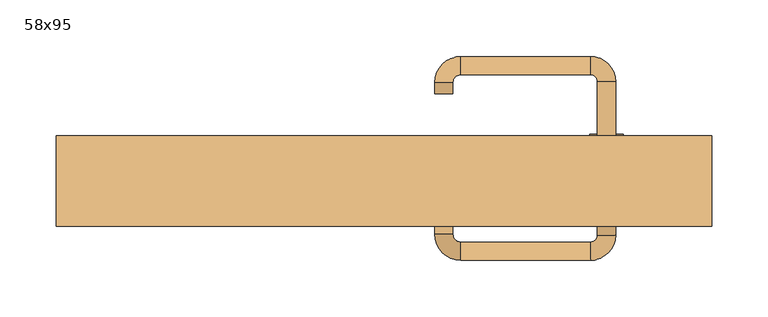
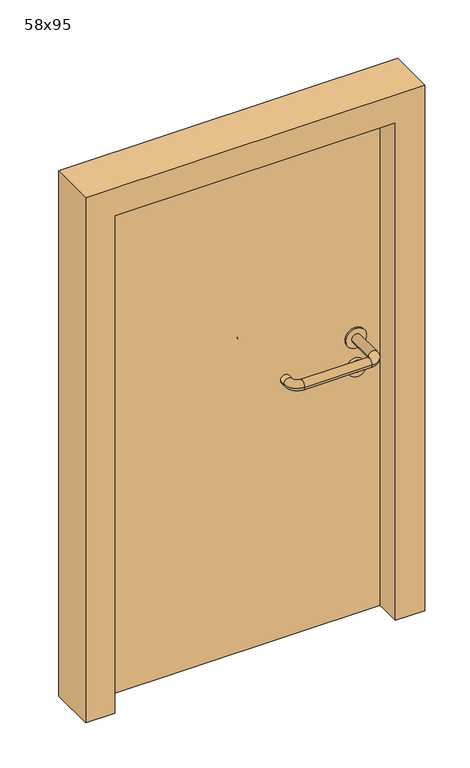
"""IFC4 building model written with IfcOpenShell, lengths in millimetres: door geometry, 58x95."""

from ifc_helpers import new_model, si_unit, point, frame, frame_2d, origin, origin_with_axes, place, context, project, spatial, polyline, circle_curve, ellipse_curve, trimmed, segment, composite_curve, outline, extrude, source, transform, mapped, element, save
from ifc_brep_helpers import plane_surface, cylinder_surface, revolved_surface, advanced_brep


def door_58x95_ae09632f(model_context):
    return source(origin(), model_context, "Body", "SolidModel", [
        extrude(outline(composite_curve([segment(trimmed(circle_curve(frame_2d((447.3605726, 197.0)), 15.0), [point((447.3605726, 212.0))], [point((447.3605726, 182.0))], False, "CARTESIAN"), True, "CONTINUOUS"), segment(trimmed(circle_curve(frame_2d((447.3605726, 197.0)), 15.0), [point((447.3605726, 182.0))], [point((447.3605726, 212.0))], False, "CARTESIAN"), True, "CONTINUOUS")], self_intersect=False), holes=[composite_curve([segment(trimmed(circle_curve(frame_2d((442.5833211, 196.9398032)), 2.0), [point((442.5833211, 198.9398032))], [point((442.5833211, 194.9398032))], True, "CARTESIAN"), True, "CONTINUOUS"), segment(polyline([(442.5833211, 194.9398032), (452.5833211, 194.9398032)]), True, "CONTINUOUS"), segment(trimmed(circle_curve(frame_2d((452.5833211, 196.9398032)), 2.0), [point((452.5833211, 194.9398032))], [point((452.5833211, 198.9398032))], True, "CARTESIAN"), True, "CONTINUOUS"), segment(polyline([(452.5833211, 198.9398032), (442.5833211, 198.9398032)]), True, "CONTINUOUS")], self_intersect=False)]), frame((0.0, 58.65, 0.0), z_axis=(0.0, 1.0, 0.0), x_axis=(0.0, 0.0, 1.0)), (0.0, 0.0, 1.0), 6.35),
        extrude(outline(composite_curve([segment(trimmed(circle_curve(frame_2d((500.0, 197.0)), 17.526), [point((500.0, 214.526))], [point((500.0, 179.474))], False, "CARTESIAN"), True, "CONTINUOUS"), segment(trimmed(circle_curve(frame_2d((500.0, 197.0)), 17.526), [point((500.0, 179.474))], [point((500.0, 214.526))], False, "CARTESIAN"), True, "CONTINUOUS")], self_intersect=False)), frame((0.0, 61.825, 0.0), z_axis=(0.0, 1.0, 0.0), x_axis=(0.0, 0.0, 1.0)), (0.0, 0.0, 1.0), 3.175),
        advanced_brep(
        [(205.0, 65.0, 500.0), (189.0, 65.0, 500.0), (189.0, 12.0, 500.0), (205.0, 12.0, 500.0), (182.8578644, 5.8578644, 500.0), (182.8578644, -10.1421356, 500.0), (67.8578644, 5.8578644, 500.0), (67.8578644, -10.1421356, 500.0), (61.008622, 12.7071068, 500.0), (45.008622, 12.7071068, 500.0), (45.008622, 22.7071068, 500.0), (61.008622, 22.7071068, 500.0)],
        [
            (0, 1, circle_curve(frame((197.0, 65.0, 500.0), z_axis=(0.0, 1.0, 0.0), x_axis=(-1.0, 0.0, 0.0)), 8.0)),
            (1, 0, circle_curve(frame((197.0, 65.0, 500.0), z_axis=(0.0, 1.0, 0.0), x_axis=(-1.0, 0.0, 0.0)), 8.0)),
            (1, 2),
            (2, 3, circle_curve(frame((197.0, 12.0, 500.0), z_axis=(0.0, 1.0, 0.0), x_axis=(-1.0, 0.0, 0.0)), 8.0)),
            (3, 0),
            (3, 2, circle_curve(frame((197.0, 12.0, 500.0), z_axis=(0.0, 1.0, 0.0), x_axis=(-1.0, 0.0, 0.0)), 8.0)),
            (4, 5, circle_curve(frame((182.8578644, -2.1421356, 500.0), z_axis=(1.0, 0.0, 0.0), x_axis=(0.0, 1.0, 0.0)), 8.0)),
            (5, 3, circle_curve(frame((182.8578644, 12.0, 500.0), z_axis=(0.0, 0.0, 1.0), x_axis=(1.0, 0.0, 0.0)), 22.1421356)),
            (2, 4, circle_curve(frame((182.8578644, 12.0, 500.0), z_axis=(0.0, 0.0, -1.0), x_axis=(1.0, 0.0, 0.0)), 6.1421356)),
            (5, 4, circle_curve(frame((182.8578644, -2.1421356, 500.0), z_axis=(1.0, 0.0, 0.0), x_axis=(0.0, 1.0, 0.0)), 8.0)),
            (4, 6),
            (6, 7, circle_curve(frame((67.8578644, -2.1421356, 500.0), z_axis=(1.0, 0.0, 0.0), x_axis=(0.0, 1.0, 0.0)), 8.0)),
            (7, 5),
            (7, 6, circle_curve(frame((67.8578644, -2.1421356, 500.0), z_axis=(1.0, 0.0, 0.0), x_axis=(0.0, 1.0, 0.0)), 8.0)),
            (8, 9, circle_curve(frame((53.008622, 12.7071068, 500.0), z_axis=(0.0, -1.0, 0.0), x_axis=(1.0, 0.0, 0.0)), 8.0)),
            (9, 7, circle_curve(frame((67.8578644, 12.7071068, 500.0), z_axis=(0.0, 0.0, 1.0), x_axis=(0.0, -1.0, 0.0)), 22.8492424)),
            (6, 8, circle_curve(frame((67.8578644, 12.7071068, 500.0), z_axis=(0.0, 0.0, -1.0), x_axis=(0.0, -1.0, 0.0)), 6.8492424)),
            (9, 8, circle_curve(frame((53.008622, 12.7071068, 500.0), z_axis=(0.0, -1.0, 0.0), x_axis=(1.0, 0.0, 0.0)), 8.0)),
            (10, 11, circle_curve(frame((53.008622, 22.7071068, 500.0), z_axis=(0.0, 1.0, 0.0), x_axis=(1.0, 0.0, 0.0)), 8.0)),
            (11, 10, circle_curve(frame((53.008622, 22.7071068, 500.0), z_axis=(0.0, 1.0, 0.0), x_axis=(1.0, 0.0, 0.0)), 8.0)),
            (8, 11),
            (10, 9),
        ],
        [
            plane_surface(frame((197.0, 65.0, 0.0), z_axis=(0.0, 1.0, 0.0), x_axis=(0.0, 0.0, 1.0))),
            cylinder_surface(frame((197.0, 65.0, 500.0), z_axis=(0.0, 1.0, 0.0), x_axis=(-1.0, 0.0, 0.0)), 8.0),
            revolved_surface(trimmed(ellipse_curve(frame((197.0, 12.0, 500.0), z_axis=(0.0, -1.0, 0.0), x_axis=(-1.0, 0.0, 0.0)), 8.0, 8.0), [point((205.0, 12.0, 500.0))], [point((189.0, 12.0, 500.0))], True, "CARTESIAN"), (182.8578644, 12.0, 0.0), (0.0, 0.0, 1.0)),
            revolved_surface(trimmed(ellipse_curve(frame((197.0, 12.0, 500.0), z_axis=(0.0, -1.0, 0.0), x_axis=(-1.0, 0.0, 0.0)), 8.0, 8.0), [point((189.0, 12.0, 500.0))], [point((205.0, 12.0, 500.0))], True, "CARTESIAN"), (182.8578644, 12.0, 0.0), (0.0, 0.0, 1.0)),
            cylinder_surface(frame((182.8578644, -2.1421356, 500.0), z_axis=(1.0, 0.0, 0.0), x_axis=(0.0, 1.0, 0.0)), 8.0),
            revolved_surface(trimmed(ellipse_curve(frame((67.8578644, -2.1421356, 500.0), z_axis=(-1.0, 0.0, 0.0), x_axis=(0.0, 1.0, 0.0)), 8.0, 8.0), [point((67.8578644, -10.1421356, 500.0))], [point((67.8578644, 5.8578644, 500.0))], True, "CARTESIAN"), (67.8578644, 12.7071068, 0.0), (0.0, 0.0, 1.0)),
            revolved_surface(trimmed(ellipse_curve(frame((67.8578644, -2.1421356, 500.0), z_axis=(-1.0, 0.0, 0.0), x_axis=(0.0, 1.0, 0.0)), 8.0, 8.0), [point((67.8578644, 5.8578644, 500.0))], [point((67.8578644, -10.1421356, 500.0))], True, "CARTESIAN"), (67.8578644, 12.7071068, 0.0), (0.0, 0.0, 1.0)),
            plane_surface(frame((53.008622, 22.7071068, 0.0), z_axis=(0.0, 1.0, 0.0), x_axis=(0.0, 0.0, 1.0))),
            cylinder_surface(frame((53.008622, 12.7071068, 500.0), z_axis=(0.0, -1.0, 0.0), x_axis=(1.0, 0.0, 0.0)), 8.0),
        ],
        [
            (0, [[1, 2]]),
            (1, [[3, 4, 5, -2]]),
            (1, [[-5, 6, -3, -1]]),
            (2, [[7, 8, -4, 9]]),
            (3, [[10, -9, -6, -8]]),
            (4, [[11, 12, 13, -7]]),
            (4, [[-13, 14, -11, -10]]),
            (5, [[15, 16, -12, 17]]),
            (6, [[18, -17, -14, -16]]),
            (7, [[19, 20]]),
            (8, [[21, -19, 22, -15]]),
            (8, [[-22, -20, -21, -18]]),
        ],
    ),
        extrude(outline(composite_curve([segment(trimmed(circle_curve(frame_2d((0.0, -15.0)), 15.0), [point((0.0, -30.0))], [point((0.0, 0.0))], False, "CARTESIAN"), True, "CONTINUOUS"), segment(trimmed(circle_curve(frame_2d((0.0, -15.0)), 15.0), [point((0.0, 0.0))], [point((0.0, -30.0))], False, "CARTESIAN"), True, "CONTINUOUS")], self_intersect=False), holes=[composite_curve([segment(trimmed(circle_curve(frame_2d((4.7772515, -14.9398032)), 2.0), [point((4.7772515, -16.9398032))], [point((4.7772515, -12.9398032))], True, "CARTESIAN"), True, "CONTINUOUS"), segment(polyline([(4.7772515, -12.9398032), (-5.2227485, -12.9398032)]), True, "CONTINUOUS"), segment(trimmed(circle_curve(frame_2d((-5.2227485, -14.9398032)), 2.0), [point((-5.2227485, -12.9398032))], [point((-5.2227485, -16.9398032))], True, "CARTESIAN"), True, "CONTINUOUS"), segment(polyline([(-5.2227485, -16.9398032), (4.7772515, -16.9398032)]), True, "CONTINUOUS")], self_intersect=False)]), frame((182.0, 95.0, 447.3605726), z_axis=(1.8870575173328306e-12, 1.0, 0.0), x_axis=(0.0, 0.0, -1.0)), (0.0, 0.0, 1.0), 6.35),
        extrude(outline(composite_curve([segment(trimmed(circle_curve(frame_2d((0.0, -17.526)), 17.526), [point((0.0, -35.052))], [point((0.0, 0.0))], False, "CARTESIAN"), True, "CONTINUOUS"), segment(trimmed(circle_curve(frame_2d((0.0, -17.526)), 17.526), [point((0.0, 0.0))], [point((0.0, -35.052))], False, "CARTESIAN"), True, "CONTINUOUS")], self_intersect=False)), frame((179.474, 95.0, 500.0), z_axis=(1.8870575173328306e-12, 1.0, 0.0), x_axis=(0.0, 0.0, -1.0)), (0.0, 0.0, 1.0), 3.175),
        advanced_brep(
        [(205.0, 95.0, 500.0), (189.0, 95.0, 500.0), (205.0, 148.0, 500.0), (189.0, 148.0, 500.0), (182.8578644, 154.1421356, 500.0), (182.8578644, 170.1421356, 500.0), (67.8578644, 170.1421356, 500.0), (67.8578644, 154.1421356, 500.0), (61.008622, 147.2928932, 500.0), (45.008622, 147.2928932, 500.0), (45.008622, 137.2928932, 500.0), (61.008622, 137.2928932, 500.0)],
        [
            (0, 1, circle_curve(frame((197.0, 95.0, 500.0), z_axis=(-1.888672253512351e-12, -1.0, 0.0), x_axis=(-1.0, 1.888672253512351e-12, 0.0)), 8.0)),
            (1, 0, circle_curve(frame((197.0, 95.0, 500.0), z_axis=(-1.888672253512351e-12, -1.0, 0.0), x_axis=(-1.0, 1.888672253512351e-12, 0.0)), 8.0)),
            (0, 2),
            (2, 3, circle_curve(frame((197.0, 148.0, 500.0), z_axis=(-1.888672253512351e-12, -1.0, 0.0), x_axis=(-1.0, 1.888672253512351e-12, 0.0)), 8.0)),
            (3, 1),
            (3, 2, circle_curve(frame((197.0, 148.0, 500.0), z_axis=(-1.888672253512351e-12, -1.0, 0.0), x_axis=(-1.0, 1.888672253512351e-12, 0.0)), 8.0)),
            (4, 3, circle_curve(frame((182.8578644, 148.0, 500.0), z_axis=(0.0, 0.0, -1.0), x_axis=(1.0, -1.880717803715015e-12, 0.0)), 6.1421356)),
            (2, 5, circle_curve(frame((182.8578644, 148.0, 500.0), z_axis=(0.0, 0.0, 1.0), x_axis=(1.0, -1.880717803715015e-12, 0.0)), 22.1421356)),
            (5, 4, circle_curve(frame((182.8578644, 162.1421356, 500.0), z_axis=(1.0, -1.913702061528922e-12, 0.0), x_axis=(-1.913702061528922e-12, -1.0, 0.0)), 8.0)),
            (4, 5, circle_curve(frame((182.8578644, 162.1421356, 500.0), z_axis=(1.0, -1.913702061528922e-12, 0.0), x_axis=(-1.913702061528922e-12, -1.0, 0.0)), 8.0)),
            (5, 6),
            (6, 7, circle_curve(frame((67.8578644, 162.1421356, 500.0), z_axis=(1.0, -1.913719828541269e-12, 0.0), x_axis=(-1.913719828541269e-12, -1.0, 0.0)), 8.0)),
            (7, 4),
            (7, 6, circle_curve(frame((67.8578644, 162.1421356, 500.0), z_axis=(1.0, -1.913719828541269e-12, 0.0), x_axis=(-1.913719828541269e-12, -1.0, 0.0)), 8.0)),
            (8, 7, circle_curve(frame((67.8578644, 147.2928932, 500.0), z_axis=(0.0, 0.0, -1.0), x_axis=(1.9120873253494017e-12, 1.0, 0.0)), 6.8492424)),
            (6, 9, circle_curve(frame((67.8578644, 147.2928932, 500.0), z_axis=(0.0, 0.0, 1.0), x_axis=(1.9120873253494017e-12, 1.0, 0.0)), 22.8492424)),
            (9, 8, circle_curve(frame((53.008622, 147.2928932, 500.0), z_axis=(1.890448610351751e-12, 1.0, 0.0), x_axis=(1.0, -1.890448610351751e-12, 0.0)), 8.0)),
            (8, 9, circle_curve(frame((53.008622, 147.2928932, 500.0), z_axis=(1.8888942981172756e-12, 1.0, 0.0), x_axis=(1.0, -1.8888942981172756e-12, 0.0)), 8.0)),
            (10, 11, circle_curve(frame((53.008622, 137.2928932, 500.0), z_axis=(-1.8903642334018795e-12, -1.0, 0.0), x_axis=(1.0, -1.8903642334018795e-12, 0.0)), 8.0)),
            (11, 10, circle_curve(frame((53.008622, 137.2928932, 500.0), z_axis=(-1.8903642334018795e-12, -1.0, 0.0), x_axis=(1.0, -1.8903642334018795e-12, 0.0)), 8.0)),
            (9, 10),
            (11, 8),
        ],
        [
            plane_surface(frame((197.0, 95.0, 0.0), z_axis=(-1.8870575173328306e-12, -1.0, 0.0), x_axis=(0.0, 0.0, 1.0))),
            cylinder_surface(frame((197.0, 95.0, 500.0), z_axis=(-1.888672253512351e-12, -1.0, 0.0), x_axis=(-1.0, 1.888672253512351e-12, 0.0)), 8.0),
            revolved_surface(trimmed(ellipse_curve(frame((197.0, 148.0, 500.0), z_axis=(-1.8823325398945356e-12, -1.0, 0.0), x_axis=(-1.0, 1.8823325398945356e-12, 0.0)), 8.0, 8.0), [point((205.0, 148.0, 500.0))], [point((189.0, 148.0, 500.0))], True, "CARTESIAN"), (182.8578644, 148.0, 0.0), (0.0, 0.0, 1.0)),
            revolved_surface(trimmed(ellipse_curve(frame((197.0, 148.0, 500.0), z_axis=(-1.8823325398945356e-12, -1.0, 0.0), x_axis=(-1.0, 1.8823325398945356e-12, 0.0)), 8.0, 8.0), [point((189.0, 148.0, 500.0))], [point((205.0, 148.0, 500.0))], True, "CARTESIAN"), (182.8578644, 148.0, 0.0), (0.0, 0.0, 1.0)),
            cylinder_surface(frame((182.8578644, 162.1421356, 500.0), z_axis=(1.0, -1.913719828541269e-12, 0.0), x_axis=(-1.913719828541269e-12, -1.0, 0.0)), 8.0),
            revolved_surface(trimmed(ellipse_curve(frame((67.8578644, 162.1421356, 500.0), z_axis=(1.0, -1.913702061528922e-12, 0.0), x_axis=(-1.913702061528922e-12, -1.0, 0.0)), 8.0, 8.0), [point((67.8578644, 170.1421356, 500.0))], [point((67.8578644, 154.1421356, 500.0))], True, "CARTESIAN"), (67.8578644, 147.2928932, 0.0), (0.0, 0.0, 1.0)),
            revolved_surface(trimmed(ellipse_curve(frame((67.8578644, 162.1421356, 500.0), z_axis=(1.0, -1.913702061528922e-12, 0.0), x_axis=(-1.913702061528922e-12, -1.0, 0.0)), 8.0, 8.0), [point((67.8578644, 154.1421356, 500.0))], [point((67.8578644, 170.1421356, 500.0))], True, "CARTESIAN"), (67.8578644, 147.2928932, 0.0), (0.0, 0.0, 1.0)),
            plane_surface(frame((53.008622, 137.2928932, 0.0), z_axis=(-1.8887494972223595e-12, -1.0, 0.0), x_axis=(0.0, 0.0, 1.0))),
            cylinder_surface(frame((53.008622, 147.2928932, 500.0), z_axis=(1.8903642334018795e-12, 1.0, 0.0), x_axis=(1.0, -1.8903642334018795e-12, 0.0)), 8.0),
        ],
        [
            (0, [[1, 2]]),
            (1, [[-1, 3, 4, 5]]),
            (1, [[-2, -5, 6, -3]]),
            (2, [[7, -4, 8, 9]]),
            (3, [[-8, -6, -7, 10]]),
            (4, [[-9, 11, 12, 13]]),
            (4, [[-10, -13, 14, -11]]),
            (5, [[15, -12, 16, 17]]),
            (6, [[-16, -14, -15, 18]]),
            (7, [[19, 20]]),
            (8, [[-17, 21, -20, 22]]),
            (8, [[-18, -22, -19, -21]]),
        ],
    ),
        extrude(outline(polyline([(900.0, 240.0), (0.0, 240.0), (0.0, 290.0), (950.0, 290.0), (950.0, -290.0), (0.0, -290.0), (0.0, -240.0), (900.0, -240.0), (900.0, 240.0)])), frame((0.0, 20.0, 0.0), z_axis=(0.0, 1.0, 0.0), x_axis=(0.0, 0.0, 1.0)), (0.0, 0.0, 1.0), 80.0),
        extrude(outline(polyline([(-240.0, 95.0), (240.0, 95.0), (240.0, 65.0), (-240.0, 65.0), (-240.0, 95.0)])), origin_with_axes(), (0.0, 0.0, 1.0), 900.0),
    ])


if __name__ == "__main__":
    model = new_model("IFC4")
    model_context = context("Model", 3, world=origin())
    ifc_project = project(units=[si_unit("LENGTHUNIT", "METRE", prefix="MILLI")], contexts=[model_context])
    site = spatial("IfcSite", under=ifc_project)
    building = spatial("IfcBuilding", under=site)
    placement = place(None, origin())
    door_58x95_shape = door_58x95_ae09632f(model_context)
    element("IfcDoor", 1, ObjectType="58x95", at=placement, inside=building, context=model_context, shape_type="MappedRepresentation", body=[
        mapped(door_58x95_shape, transform((0.0, 0.0, 0.0), x_axis=(1.0, 0.0, 0.0), y_axis=(0.0, 1.0, 0.0), z_axis=(0.0, 0.0, 1.0))),
    ])
    save(model, "model.ifc")
